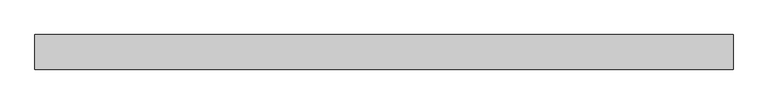
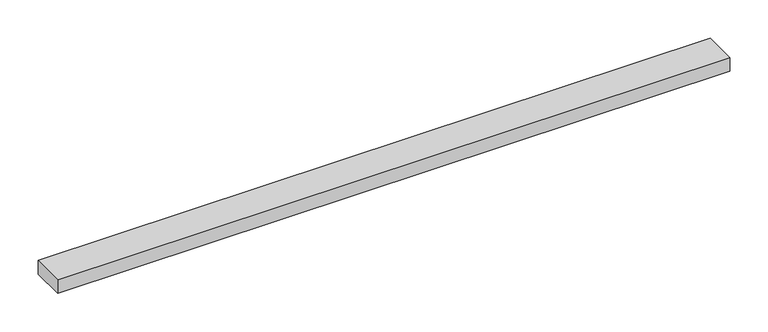
"""IFC4 building model written with IfcOpenShell, lengths in millimetres: beam geometry."""

from ifc_helpers import new_model, si_unit, frame, origin, place, context, project, spatial, polyline, outline, extrude, source, transform, mapped, element, save


def beam_64b456bc(model_context):
    return source(origin(), model_context, "Body", "SweptSolid", [
        extrude(outline(polyline([(516.8439182, 25.0), (516.8439182, -25.0), (-491.8439182, -25.0), (-491.8439182, 25.0), (516.8439182, 25.0)])), frame((0.0, 0.0, -11.0), z_axis=(0.0, 0.0, 1.0), x_axis=(1.0, 0.0, 0.0)), (0.0, 0.0, 1.0), 22.0),
    ])


if __name__ == "__main__":
    model = new_model("IFC4")
    model_context = context("Model", 3, world=origin())
    ifc_project = project(units=[si_unit("LENGTHUNIT", "METRE", prefix="MILLI")], contexts=[model_context])
    site = spatial("IfcSite", under=ifc_project)
    building = spatial("IfcBuilding", under=site)
    placement = place(None, origin())
    beam_shape = beam_64b456bc(model_context)
    element("IfcBeam", 1, at=placement, inside=building, context=model_context, shape_type="MappedRepresentation", body=[
        mapped(beam_shape, transform((0.0, 0.0, 0.0), x_axis=(1.0, 0.0, 0.0), y_axis=(0.0, 1.0, 0.0), z_axis=(0.0, 0.0, 1.0))),
    ])
    save(model, "model.ifc")
